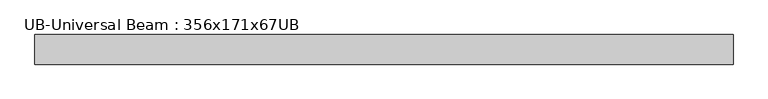
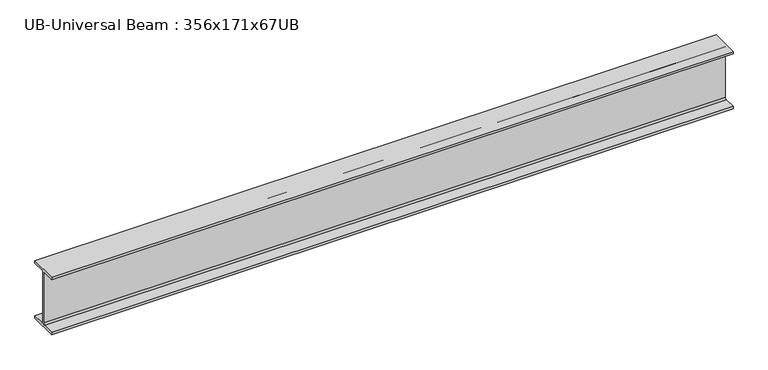
"""IFC4 building model written with IfcOpenShell, lengths in millimetres: beam geometry, UB-Universal Beam : 356x171x67UB."""

from ifc_helpers import new_model, si_unit, point, frame, frame_2d, origin, place, context, project, spatial, polyline, circle_curve, trimmed, segment, composite_curve, outline, extrude, source, transform, mapped, element, save


def ub_universal_beam_356x171x67ub_55866519(model_context):
    return source(origin(), model_context, "Body", "SweptSolid", [
        extrude(outline(composite_curve([segment(polyline([(86.6, -166.0), (86.6, -181.7), (-86.6, -181.7), (-86.6, -166.0), (-14.75, -166.0)]), True, "CONTINUOUS"), segment(trimmed(circle_curve(frame_2d((-14.75, -155.8)), 10.2), [point((-14.75, -166.0))], [point((-4.55, -155.8))], True, "CARTESIAN"), True, "CONTINUOUS"), segment(polyline([(-4.55, -155.8), (-4.55, 155.8)]), True, "CONTINUOUS"), segment(trimmed(circle_curve(frame_2d((-14.75, 155.8)), 10.2), [point((-4.55, 155.8))], [point((-14.75, 166.0))], True, "CARTESIAN"), True, "CONTINUOUS"), segment(polyline([(-14.75, 166.0), (-86.6, 166.0), (-86.6, 181.7), (86.6, 181.7), (86.6, 166.0), (14.75, 166.0)]), True, "CONTINUOUS"), segment(trimmed(circle_curve(frame_2d((14.75, 155.8)), 10.2), [point((14.75, 166.0))], [point((4.55, 155.8))], True, "CARTESIAN"), True, "CONTINUOUS"), segment(polyline([(4.55, 155.8), (4.55, -155.8)]), True, "CONTINUOUS"), segment(trimmed(circle_curve(frame_2d((14.75, -155.8)), 10.2), [point((4.55, -155.8))], [point((14.75, -166.0))], True, "CARTESIAN"), True, "CONTINUOUS"), segment(polyline([(14.75, -166.0), (86.6, -166.0)]), True, "CONTINUOUS")], self_intersect=False)), frame((-2038.3844352, 0.0, 0.0), z_axis=(1.0, 0.0, 0.0), x_axis=(0.0, 1.0, 0.0)), (0.0, 0.0, 1.0), 4076.7688704),
    ])


if __name__ == "__main__":
    model = new_model("IFC4")
    model_context = context("Model", 3, world=origin())
    ifc_project = project(units=[si_unit("LENGTHUNIT", "METRE", prefix="MILLI")], contexts=[model_context])
    site = spatial("IfcSite", under=ifc_project)
    building = spatial("IfcBuilding", under=site)
    placement = place(None, origin())
    ub_universal_beam_356x171x67ub_shape = ub_universal_beam_356x171x67ub_55866519(model_context)
    element("IfcBeam", 1, ObjectType="UB-Universal Beam : 356x171x67UB", at=placement, inside=building, context=model_context, shape_type="MappedRepresentation", body=[
        mapped(ub_universal_beam_356x171x67ub_shape, transform((0.0, 0.0, 0.0), x_axis=(1.0, 0.0, 0.0), y_axis=(0.0, 1.0, 0.0), z_axis=(0.0, 0.0, 1.0))),
    ])
    save(model, "model.ifc")
